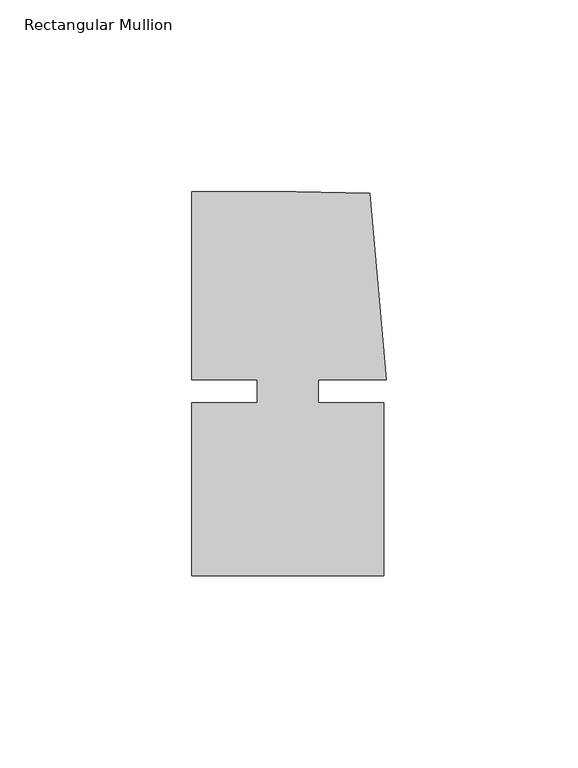
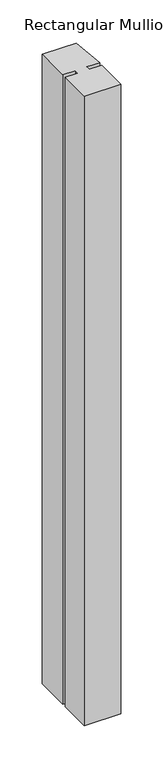
"""IFC4 building model written with IfcOpenShell, lengths in millimetres: member geometry, Rectangular Mullion."""

from ifc_helpers import new_model, si_unit, frame, origin, place, context, project, spatial, polyline, outline, extrude, source, transform, mapped, element, save


def rectangular_mullion_d41fc69f(model_context):
    return source(origin(), model_context, "Body", "SweptSolid", [
        extrude(outline(polyline([(8.0004917, -3.0000287), (25.00003, -3.0000271), (25.0000344, -48.0000271), (-24.9999656, -48.000032), (-24.99997, -3.000032), (-8.0004317, -3.0000303), (-8.0004323, 2.999987), (-24.9999706, 2.9999853), (-24.9999754, 51.999968), (2.2554581, 51.9999707), (21.3623265, 51.5846059), (25.6129344, 2.9999903), (8.0004911, 2.9999885), (8.0004917, -3.0000287)])), frame((0.0, 0.0, -910.999327), z_axis=(0.0, 0.0, 1.0), x_axis=(1.0, 0.0, 0.0)), (0.0, 0.0, 1.0), 910.999327),
    ])


if __name__ == "__main__":
    model = new_model("IFC4")
    model_context = context("Model", 3, world=origin())
    ifc_project = project(units=[si_unit("LENGTHUNIT", "METRE", prefix="MILLI")], contexts=[model_context])
    site = spatial("IfcSite", under=ifc_project)
    building = spatial("IfcBuilding", under=site)
    placement = place(None, origin())
    rectangular_mullion_shape = rectangular_mullion_d41fc69f(model_context)
    element("IfcMember", 1, ObjectType="Rectangular Mullion", at=placement, inside=building, context=model_context, shape_type="MappedRepresentation", body=[
        mapped(rectangular_mullion_shape, transform((0.0, 0.0, 0.0), x_axis=(1.0, 0.0, 0.0), y_axis=(0.0, 1.0, 0.0), z_axis=(0.0, 0.0, 1.0))),
    ])
    save(model, "model.ifc")
